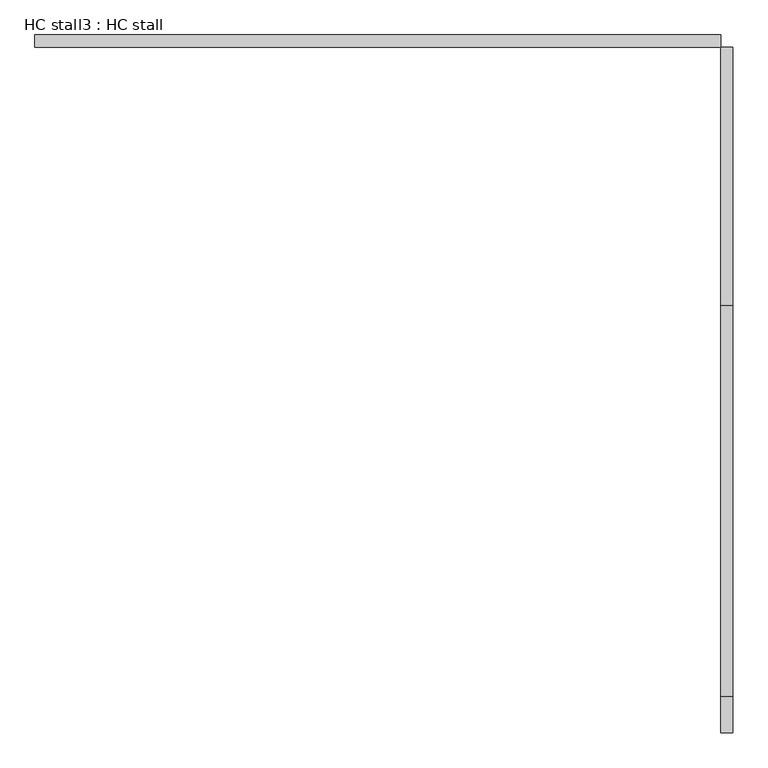
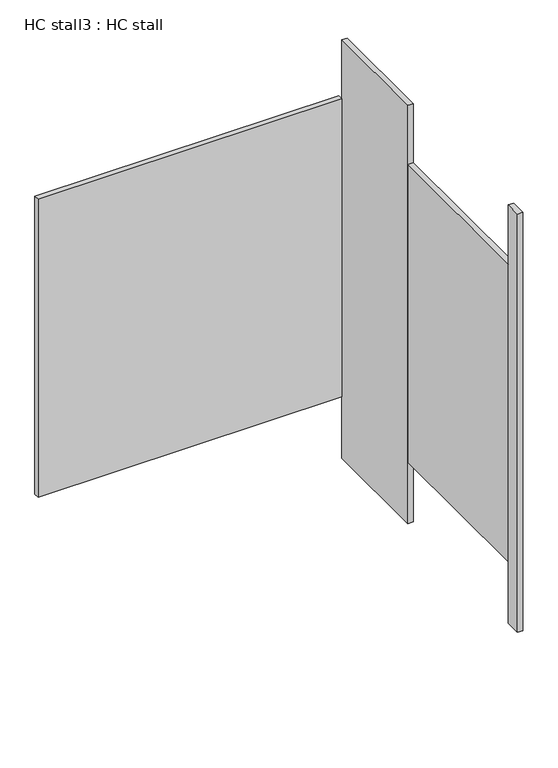
"""IFC4 building model written with IfcOpenShell, lengths in millimetres: proxy geometry, HC stall3 : HC stall."""

from ifc_helpers import new_model, si_unit, frame, origin, origin_with_axes, place, context, project, spatial, polyline, outline, extrude, source, transform, mapped, element, save


def hc_stall3_hc_stall_44f2347f(model_context):
    return source(origin(), model_context, "Body", "SweptSolid", [
        extrude(outline(polyline([(461255.8504676, -334669.6205223), (461255.8504676, -334134.6330223), (461281.2504676, -334134.6330223), (461281.2504676, -334669.6205223), (461255.8504676, -334669.6205223)])), origin_with_axes(), (0.0, 0.0, 1.0), 2070.1),
        extrude(outline(polyline([(461255.8504676, -335557.0330223), (461255.8504676, -335482.4205223), (461281.2504676, -335482.4205223), (461281.2504676, -335557.0330223), (461255.8504676, -335557.0330223)])), origin_with_axes(), (0.0, 0.0, 1.0), 2070.1),
        extrude(outline(polyline([(459833.4504676, -334109.2330223), (461255.8504676, -334109.2330223), (461255.8504676, -334134.6330223), (459833.4504676, -334134.6330223), (459833.4504676, -334109.2330223)])), frame((0.0, 0.0, 304.8), z_axis=(0.0, 0.0, 1.0), x_axis=(1.0, 0.0, 0.0)), (0.0, 0.0, 1.0), 1473.2),
        extrude(outline(polyline([(461255.8504676, -335482.4205223), (461255.8504676, -334669.6205223), (461281.2504676, -334669.6205223), (461281.2504676, -335482.4205223), (461255.8504676, -335482.4205223)])), frame((0.0, 0.0, 304.8), z_axis=(0.0, 0.0, 1.0), x_axis=(1.0, 0.0, 0.0)), (0.0, 0.0, 1.0), 1473.2),
    ])


if __name__ == "__main__":
    model = new_model("IFC4")
    model_context = context("Model", 3, world=origin())
    ifc_project = project(units=[si_unit("LENGTHUNIT", "METRE", prefix="MILLI")], contexts=[model_context])
    site = spatial("IfcSite", under=ifc_project)
    building = spatial("IfcBuilding", under=site)
    placement = place(None, origin())
    hc_stall3_hc_stall_shape = hc_stall3_hc_stall_44f2347f(model_context)
    element("IfcBuildingElementProxy", 1, Name="HC stall3 : HC stall", ObjectType="HC stall3 : HC stall", at=placement, inside=building, context=model_context, shape_type="MappedRepresentation", body=[
        mapped(hc_stall3_hc_stall_shape, transform((0.0, 0.0, 0.0), x_axis=(1.0, 0.0, 0.0), y_axis=(0.0, 1.0, 0.0), z_axis=(0.0, 0.0, 1.0))),
    ])
    save(model, "model.ifc")
